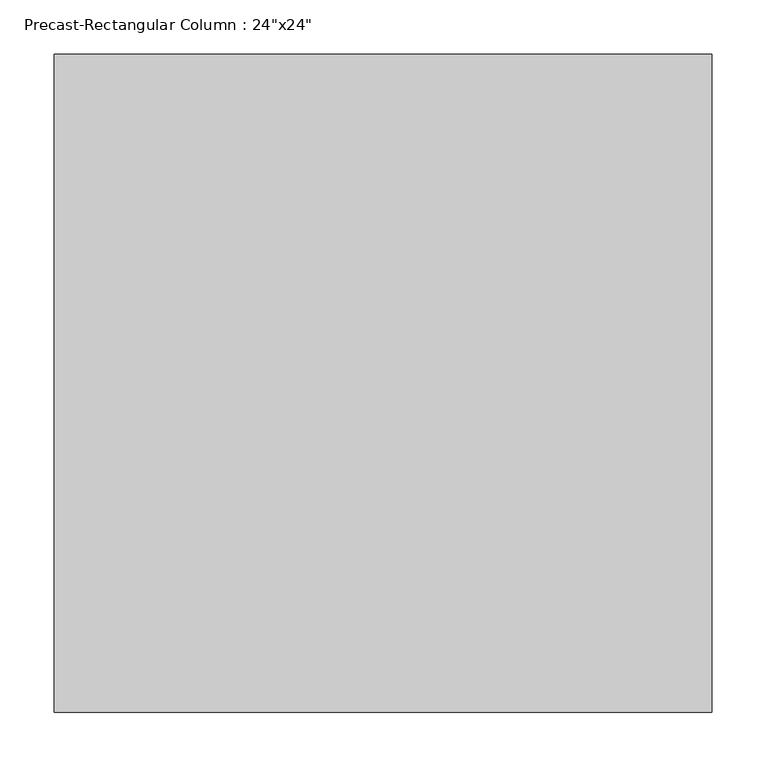
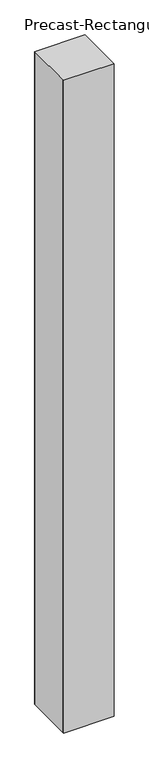
"""IFC4 building model written with IfcOpenShell, lengths in millimetres: column geometry."""

import ifcopenshell
import ifcopenshell.guid

model = None  # the IFC model being written
_history = None  # IfcOwnerHistory: only IFC2X3 demands one
_inside = {}  # id of a spatial element -> (the spatial element, [elements in it])
_under = {}  # id of a project, library or spatial element -> (it, [spatial elements below it])
_declared = {}  # id of a project -> (the project, [libraries it declares])
_typed = {}  # id of a type object -> (the type object, [elements of that type])
_made_of = {}  # id of a material, layer set ... -> (it, [elements and type objects made of it])


def new_model(schema):
    """Start an empty IFC model of exactly this schema.

    Asked for "IFC4X3", IfcOpenShell would pick the latest addendum, in which some entities
    have other attributes; the version numbers below select the first issue.
    IFC2X3 requires an IfcOwnerHistory on every rooted entity: one is made here for all.
    """
    global model, _history
    if schema == "IFC4X3":
        model = ifcopenshell.file(schema_version=(4, 3, 0, 0))
    else:
        model = ifcopenshell.file(schema=schema)
    _inside.clear()
    _under.clear()
    _declared.clear()
    _typed.clear()
    _made_of.clear()
    _history = None
    if model.schema == "IFC2X3":
        org = make("IfcOrganization", Name="unknown")
        user = make(
            "IfcPersonAndOrganization",
            ThePerson=make("IfcPerson", FamilyName="unknown"),
            TheOrganization=org,
        )
        app = make(
            "IfcApplication",
            ApplicationDeveloper=org,
            Version="unknown",
            ApplicationFullName="unknown",
            ApplicationIdentifier="unknown",
        )
        _history = make(
            "IfcOwnerHistory",
            OwningUser=user,
            OwningApplication=app,
            ChangeAction="ADDED",
            CreationDate=0,
        )
    return model


def make(cls, **values):
    """One entity of the class cls with the attributes given. An attribute that is None is left unset."""
    return model.create_entity(
        cls, **{name: value for name, value in values.items() if value is not None}
    )


def rooted(cls, **values):
    """An entity with a GlobalId (a new one), such as an element, a storey or a relation."""
    return make(cls, GlobalId=ifcopenshell.guid.new(), OwnerHistory=_history, **values)


def si_unit(unit_type, name, prefix=None):
    """IfcSIUnit, for example si_unit("LENGTHUNIT", "METRE", prefix="MILLI")."""
    return make("IfcSIUnit", UnitType=unit_type, Prefix=prefix, Name=name)


def assignment(units):
    """IfcUnitAssignment: the units of a project."""
    return None if units is None else make("IfcUnitAssignment", Units=units)


def point(xyz):
    """IfcCartesianPoint."""
    return None if xyz is None else make("IfcCartesianPoint", Coordinates=xyz)


def direction(xyz):
    """IfcDirection."""
    return None if xyz is None else make("IfcDirection", DirectionRatios=xyz)


def frame(location, z_axis=None, x_axis=None):
    """IfcAxis2Placement3D, a coordinate frame: its origin and axes. An axis left out is left unset."""
    return make(
        "IfcAxis2Placement3D",
        Location=point(location),
        Axis=direction(z_axis),
        RefDirection=direction(x_axis),
    )


def origin():
    """The frame at (0, 0, 0) with its axes left unset."""
    return frame((0.0, 0.0, 0.0))


def place(relative_to, where):
    """IfcLocalPlacement: puts the frame where relative to a parent placement (None: the world)."""
    return make(
        "IfcLocalPlacement", PlacementRelTo=relative_to, RelativePlacement=where
    )


def context(
    kind, dimensions, precision=None, world=None, true_north=None, identifier=None
):
    """IfcGeometricRepresentationContext, for example the 3D "Model" context."""
    return make(
        "IfcGeometricRepresentationContext",
        ContextIdentifier=identifier,
        ContextType=kind,
        CoordinateSpaceDimension=dimensions,
        Precision=precision,
        WorldCoordinateSystem=world,
        TrueNorth=true_north,
    )


def project(units=None, contexts=None):
    """IfcProject with its units and contexts."""
    return rooted(
        "IfcProject",
        Name="project",
        RepresentationContexts=contexts,
        UnitsInContext=assignment(units),
    )


def spatial(cls, under=None, at=None, **own):
    """A site, building, storey or space (cls), placed at a placement, below another one or the project."""
    s = rooted(cls, ObjectPlacement=at, **own)
    if under is not None:
        _under.setdefault(under.id(), (under, []))[1].append(s)
    return s


def polyline(points):
    """IfcPolyline through the points."""
    return make("IfcPolyline", Points=[point(p) for p in points])


def outline(outer, holes=None, kind="AREA"):
    """IfcArbitraryClosedProfileDef: a profile drawn as a closed curve; with holes, ...WithVoids."""
    if holes is None:
        return make("IfcArbitraryClosedProfileDef", ProfileType=kind, OuterCurve=outer)
    return make(
        "IfcArbitraryProfileDefWithVoids",
        ProfileType=kind,
        OuterCurve=outer,
        InnerCurves=holes,
    )


def extrude(swept, where, along, depth):
    """IfcExtrudedAreaSolid: the profile swept, set in the frame where, extruded along a direction by depth."""
    return make(
        "IfcExtrudedAreaSolid",
        SweptArea=swept,
        Position=where,
        ExtrudedDirection=direction(along),
        Depth=depth,
    )


def shape(context_of_items, identifier, shape_type, items):
    """IfcShapeRepresentation: the items that make up one representation, for example the "Body"."""
    return make(
        "IfcShapeRepresentation",
        ContextOfItems=context_of_items,
        RepresentationIdentifier=identifier,
        RepresentationType=shape_type,
        Items=items,
    )


def source(mapping_origin, context_of_items, identifier, shape_type, items):
    """IfcRepresentationMap: a shape defined once, which mapped items show again and again."""
    return make(
        "IfcRepresentationMap",
        MappingOrigin=mapping_origin,
        MappedRepresentation=shape(context_of_items, identifier, shape_type, items),
    )


def transform(
    local_origin,
    x_axis=None,
    y_axis=None,
    z_axis=None,
    scale=None,
    scale2=None,
    scale3=None,
    uniform=True,
):
    """IfcCartesianTransformationOperator3D, or its non-uniform kind. x_axis, y_axis, z_axis: its Axis1, 2, 3."""
    if uniform:
        return make(
            "IfcCartesianTransformationOperator3D",
            Axis1=direction(x_axis),
            Axis2=direction(y_axis),
            LocalOrigin=point(local_origin),
            Scale=scale,
            Axis3=direction(z_axis),
        )
    return make(
        "IfcCartesianTransformationOperator3DnonUniform",
        Axis1=direction(x_axis),
        Axis2=direction(y_axis),
        LocalOrigin=point(local_origin),
        Scale=scale,
        Axis3=direction(z_axis),
        Scale2=scale2,
        Scale3=scale3,
    )


def mapped(mapping_source, mapping_target):
    """IfcMappedItem: shows the shape of a source again, moved by a transform."""
    return make(
        "IfcMappedItem", MappingSource=mapping_source, MappingTarget=mapping_target
    )


def made_of(thing, what):
    """Note that an element or type object is made of a material, layer set ...; save() writes the relation."""
    if what is not None:
        _made_of.setdefault(what.id(), (what, []))[1].append(thing)
    return thing


def element(
    cls,
    number,
    at=None,
    inside=None,
    cuts=None,
    type_object=None,
    material=None,
    context=None,
    identifier="Body",
    shape_type=None,
    held_by="IfcProductDefinitionShape",
    body=None,
    shapes=None,
    **own,
):
    """One element of the class cls, such as IfcWall. Its Tag is "e" and its number.

    at: its placement. inside: the storey or other place that contains it. cuts: it is an
    opening in that element (IfcRelVoidsElement). A single representation is given by context,
    identifier, shape_type and body (its items); several are given by shapes. held_by: the class
    of the entity that holds the representations. save() writes the other relations.
    """
    e = rooted(cls, Tag="e%d" % number, ObjectPlacement=at, **own)
    if body is not None:
        shapes = [shape(context, identifier, shape_type, body)]
    if shapes is not None:
        e.Representation = make(held_by, Representations=shapes)
    if inside is not None:
        _inside.setdefault(inside.id(), (inside, []))[1].append(e)
    if cuts is not None:
        rooted(
            "IfcRelVoidsElement", RelatingBuildingElement=cuts, RelatedOpeningElement=e
        )
    if type_object is not None:
        _typed.setdefault(type_object.id(), (type_object, []))[1].append(e)
    return made_of(e, material)


def aggregate(whole, parts):
    """IfcRelAggregates: a whole, such as a stair, and the parts it consists of."""
    return rooted("IfcRelAggregates", RelatingObject=whole, RelatedObjects=parts)


def save(model, path):
    """Write the relations noted so far, then the file.

    IfcRelAggregates (storeys below a building ...), IfcRelContainedInSpatialStructure (elements
    in a storey), IfcRelDefinesByType, IfcRelAssociatesMaterial and IfcRelDeclares: one each for
    every whole, place, type object, material and project.
    """
    for whole, parts in _under.values():
        aggregate(whole, parts)
    for where, things in _inside.values():
        rooted(
            "IfcRelContainedInSpatialStructure",
            RelatedElements=things,
            RelatingStructure=where,
        )
    for kind, things in _typed.values():
        rooted("IfcRelDefinesByType", RelatedObjects=things, RelatingType=kind)
    for what, things in _made_of.values():
        rooted("IfcRelAssociatesMaterial", RelatedObjects=things, RelatingMaterial=what)
    for by, libraries in _declared.values():
        rooted("IfcRelDeclares", RelatingContext=by, RelatedDefinitions=libraries)
    model.write(path)


def column_8c3e5418(model_context):
    return source(origin(), model_context, "Body", "SweptSolid", [
        extrude(outline(polyline([(304.8, 304.8), (304.8, 294.8), (304.8, -294.8), (304.8, -304.8), (-304.8, -304.8), (-304.8, -294.8), (-304.8, 294.8), (-304.8, 304.8), (304.8, 304.8)])), frame((0.0, 0.0, -1778.0), z_axis=(0.0, 0.0, 1.0), x_axis=(1.0, 0.0, 0.0)), (0.0, 0.0, 1.0), 8372.6734375),
    ])


if __name__ == "__main__":
    model = new_model("IFC4")
    model_context = context("Model", 3, world=origin())
    ifc_project = project(units=[si_unit("LENGTHUNIT", "METRE", prefix="MILLI")], contexts=[model_context])
    site = spatial("IfcSite", under=ifc_project)
    building = spatial("IfcBuilding", under=site)
    placement = place(None, origin())
    column_shape = column_8c3e5418(model_context)
    element("IfcColumn", 1, ObjectType="Precast-Rectangular Column : 24\"x24\"", at=placement, inside=building, context=model_context, shape_type="MappedRepresentation", body=[
        mapped(column_shape, transform((0.0, 0.0, 0.0), x_axis=(1.0, 0.0, 0.0), y_axis=(0.0, 1.0, 0.0), z_axis=(0.0, 0.0, 1.0))),
    ])
    save(model, "model.ifc")
